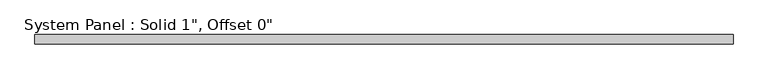
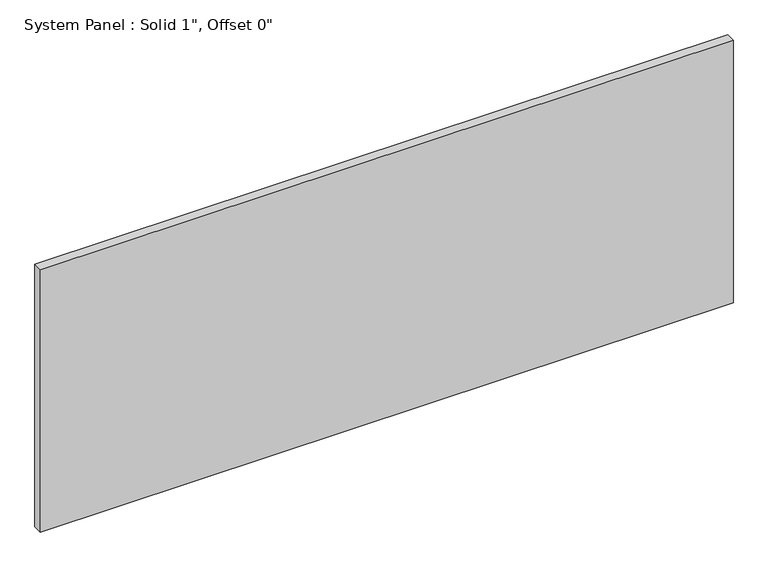
"""IFC4 building model written with IfcOpenShell, lengths in millimetres: plate geometry."""

from ifc_helpers import new_model, si_unit, origin, origin_with_axes, place, context, project, spatial, polyline, outline, extrude, source, transform, mapped, element, save


def plate_4f635fe4(model_context):
    return source(origin(), model_context, "Body", "SweptSolid", [
        extrude(outline(polyline([(963.1564913, -12.7), (-963.1564913, -12.7), (-963.1564913, 12.7), (963.1564913, 12.7), (963.1564913, -12.7)])), origin_with_axes(), (0.0, 0.0, 1.0), 771.2223784),
    ])


if __name__ == "__main__":
    model = new_model("IFC4")
    model_context = context("Model", 3, world=origin())
    ifc_project = project(units=[si_unit("LENGTHUNIT", "METRE", prefix="MILLI")], contexts=[model_context])
    site = spatial("IfcSite", under=ifc_project)
    building = spatial("IfcBuilding", under=site)
    placement = place(None, origin())
    plate_shape = plate_4f635fe4(model_context)
    element("IfcPlate", 1, ObjectType="System Panel : Solid 1\", Offset 0\"", at=placement, inside=building, context=model_context, shape_type="MappedRepresentation", body=[
        mapped(plate_shape, transform((0.0, 0.0, 0.0), x_axis=(1.0, 0.0, 0.0), y_axis=(0.0, 1.0, 0.0), z_axis=(0.0, 0.0, 1.0))),
    ])
    save(model, "model.ifc")
